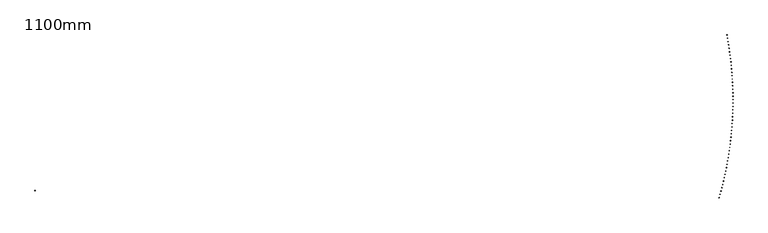
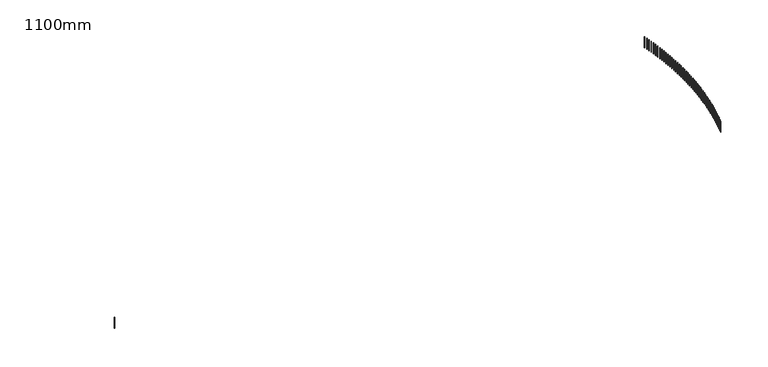
"""IFC4 building model written with IfcOpenShell, lengths in millimetres: railing geometry, 1100mm."""

from ifc_helpers import new_model, si_unit, frame, origin, place, context, project, spatial, polyline, outline, extrude, source, transform, mapped, element, save


def railing_1100mm_cb0fa57b(model_context):
    return source(origin(), model_context, "Body", "SweptSolid", [
        extrude(outline(polyline([(18164.9499455, -61980.7188274), (18188.9790862, -61987.6181313), (18182.0797824, -62011.6472721), (18158.0506416, -62004.7479682), (18164.9499455, -61980.7188274)])), frame((0.0, 0.0, 22600.0), z_axis=(0.0, 0.0, 1.0), x_axis=(1.0, 0.0, 0.0)), (0.0, 0.0, 1.0), 1050.0),
        extrude(outline(polyline([(18239.412749, -61716.1187681), (18263.5075375, -61722.785189), (18256.8411166, -61746.8799775), (18232.7463281, -61740.2135565), (18239.412749, -61716.1187681)])), frame((0.0, 0.0, 22600.0), z_axis=(0.0, 0.0, 1.0), x_axis=(1.0, 0.0, 0.0)), (0.0, 0.0, 1.0), 1050.0),
        extrude(outline(polyline([(18311.3112025, -61450.8104325), (18335.4693817, -61457.2433461), (18329.0364681, -61481.4015253), (18304.8782889, -61474.9686117), (18311.3112025, -61450.8104325)])), frame((0.0, 0.0, 22600.0), z_axis=(0.0, 0.0, 1.0), x_axis=(1.0, 0.0, 0.0)), (0.0, 0.0, 1.0), 1050.0),
        extrude(outline(polyline([(18380.6385712, -61184.8186723), (18404.8578782, -61191.017476), (18398.6590745, -61215.236783), (18374.4397675, -61209.0379793), (18380.6385712, -61184.8186723)])), frame((0.0, 0.0, 22600.0), z_axis=(0.0, 0.0, 1.0), x_axis=(1.0, 0.0, 0.0)), (0.0, 0.0, 1.0), 1050.0),
        extrude(outline(polyline([(18447.388361, -60918.168403), (18471.6665272, -60924.1325162), (18465.7024141, -60948.4106824), (18441.4242479, -60942.4465693), (18447.388361, -60918.168403)])), frame((0.0, 0.0, 22600.0), z_axis=(0.0, 0.0, 1.0), x_axis=(1.0, 0.0, 0.0)), (0.0, 0.0, 1.0), 1050.0),
        extrude(outline(polyline([(18511.5543196, -60650.884602), (18535.8890708, -60656.6134659), (18530.1602069, -60680.9482172), (18505.8254557, -60675.2193533), (18511.5543196, -60650.884602)])), frame((0.0, 0.0, 22600.0), z_axis=(0.0, 0.0, 1.0), x_axis=(1.0, 0.0, 0.0)), (0.0, 0.0, 1.0), 1050.0),
        extrude(outline(polyline([(18573.1304364, -60382.9923058), (18597.5194933, -60388.4853838), (18592.0264152, -60412.8744407), (18567.6373584, -60407.3813626), (18573.1304364, -60382.9923058)])), frame((0.0, 0.0, 22600.0), z_axis=(0.0, 0.0, 1.0), x_axis=(1.0, 0.0, 0.0)), (0.0, 0.0, 1.0), 1050.0),
        extrude(outline(polyline([(18632.1109437, -60114.516608), (18656.5520216, -60119.7733857), (18651.2952439, -60144.2144636), (18626.854166, -60138.9576859), (18632.1109437, -60114.516608)])), frame((0.0, 0.0, 22600.0), z_axis=(0.0, 0.0, 1.0), x_axis=(1.0, 0.0, 0.0)), (0.0, 0.0, 1.0), 1050.0),
        extrude(outline(polyline([(18688.4903166, -59845.4826569), (18712.9811262, -59850.5026418), (18707.9611413, -59874.9934513), (18683.4703318, -59869.9734664), (18688.4903166, -59845.4826569)])), frame((0.0, 0.0, 22600.0), z_axis=(0.0, 0.0, 1.0), x_axis=(1.0, 0.0, 0.0)), (0.0, 0.0, 1.0), 1050.0),
        extrude(outline(polyline([(18742.2632741, -59575.915653), (18766.8015213, -59580.6983749), (18762.0187994, -59605.236622), (18737.4805523, -59600.4539002), (18742.2632741, -59575.915653)])), frame((0.0, 0.0, 22600.0), z_axis=(0.0, 0.0, 1.0), x_axis=(1.0, 0.0, 0.0)), (0.0, 0.0, 1.0), 1050.0),
        extrude(outline(polyline([(18793.4247793, -59305.8408469), (18818.0081655, -59310.3858577), (18813.4631547, -59334.9692439), (18788.8797685, -59330.4242331), (18793.4247793, -59305.8408469)])), frame((0.0, 0.0, 22600.0), z_axis=(0.0, 0.0, 1.0), x_axis=(1.0, 0.0, 0.0)), (0.0, 0.0, 1.0), 1050.0),
        extrude(outline(polyline([(18841.9700398, -59035.2835364), (18866.5962623, -59039.5904105), (18862.2893882, -59064.216633), (18837.6631657, -59059.909759), (18841.9700398, -59035.2835364)])), frame((0.0, 0.0, 22600.0), z_axis=(0.0, 0.0, 1.0), x_axis=(1.0, 0.0, 0.0)), (0.0, 0.0, 1.0), 1050.0),
        extrude(outline(polyline([(18887.8945083, -58764.269065), (18912.5612604, -58768.3373989), (18908.4929265, -58793.004151), (18883.8261744, -58788.9358171), (18887.8945083, -58764.269065)])), frame((0.0, 0.0, 22600.0), z_axis=(0.0, 0.0, 1.0), x_axis=(1.0, 0.0, 0.0)), (0.0, 0.0, 1.0), 1050.0),
        extrude(outline(polyline([(18931.1938832, -58492.8228186), (18955.8988543, -58496.6522313), (18952.0694417, -58521.3572024), (18927.3644706, -58517.5277898), (18931.1938832, -58492.8228186)])), frame((0.0, 0.0, 22600.0), z_axis=(0.0, 0.0, 1.0), x_axis=(1.0, 0.0, 0.0)), (0.0, 0.0, 1.0), 1050.0),
        extrude(outline(polyline([(18971.8641085, -58220.9702238), (18996.6049845, -58224.5603565), (18993.0148518, -58249.3012325), (18968.2739758, -58245.7110998), (18971.8641085, -58220.9702238)])), frame((0.0, 0.0, 22600.0), z_axis=(0.0, 0.0, 1.0), x_axis=(1.0, 0.0, 0.0)), (0.0, 0.0, 1.0), 1050.0),
        extrude(outline(polyline([(19009.9013746, -57948.7367451), (19034.675838, -57952.0872615), (19031.3253216, -57976.861725), (19006.5508581, -57973.5112086), (19009.9013746, -57948.7367451)])), frame((0.0, 0.0, 22600.0), z_axis=(0.0, 0.0, 1.0), x_axis=(1.0, 0.0, 0.0)), (0.0, 0.0, 1.0), 1050.0),
        extrude(outline(polyline([(19045.3021185, -57676.1478828), (19070.1078487, -57679.2584691), (19066.9972624, -57704.0641993), (19042.1915322, -57700.953613), (19045.3021185, -57676.1478828)])), frame((0.0, 0.0, 22600.0), z_axis=(0.0, 0.0, 1.0), x_axis=(1.0, 0.0, 0.0)), (0.0, 0.0, 1.0), 1050.0),
        extrude(outline(polyline([(19078.0630243, -57403.2291703), (19102.8976977, -57406.0995352), (19100.0273329, -57430.9342086), (19075.1926595, -57428.0638438), (19078.0630243, -57403.2291703)])), frame((0.0, 0.0, 22600.0), z_axis=(0.0, 0.0, 1.0), x_axis=(1.0, 0.0, 0.0)), (0.0, 0.0, 1.0), 1050.0),
        extrude(outline(polyline([(19108.1810232, -57130.0061723), (19133.0423136, -57132.6360468), (19130.4124391, -57157.4973372), (19105.5511487, -57154.8674627), (19108.1810232, -57130.0061723)])), frame((0.0, 0.0, 22600.0), z_axis=(0.0, 0.0, 1.0), x_axis=(1.0, 0.0, 0.0)), (0.0, 0.0, 1.0), 1050.0),
        extrude(outline(polyline([(19135.6532941, -56856.5044815), (19160.5388726, -56858.8936193), (19158.1497348, -56883.7791979), (19133.2641562, -56881.39006), (19135.6532941, -56856.5044815)])), frame((0.0, 0.0, 22600.0), z_axis=(0.0, 0.0, 1.0), x_axis=(1.0, 0.0, 0.0)), (0.0, 0.0, 1.0), 1050.0),
        extrude(outline(polyline([(19160.4772635, -56582.749717), (19185.3847992, -56584.8978943), (19183.2366219, -56609.80543), (19158.3290862, -56607.6572527), (19160.4772635, -56582.749717)])), frame((0.0, 0.0, 22600.0), z_axis=(0.0, 0.0, 1.0), x_axis=(1.0, 0.0, 0.0)), (0.0, 0.0, 1.0), 1050.0),
        extrude(outline(polyline([(19182.6506063, -56308.7675216), (19207.577766, -56310.6745372), (19205.6707504, -56335.6016969), (19180.7435907, -56333.6946813), (19182.6506063, -56308.7675216)])), frame((0.0, 0.0, 22600.0), z_axis=(0.0, 0.0, 1.0), x_axis=(1.0, 0.0, 0.0)), (0.0, 0.0, 1.0), 1050.0),
        extrude(outline(polyline([(19202.1712455, -56034.5835593), (19227.1156943, -56036.2492346), (19225.4500189, -56061.1936834), (19200.5055701, -56059.5280081), (19202.1712455, -56034.5835593)])), frame((0.0, 0.0, 22600.0), z_axis=(0.0, 0.0, 1.0), x_axis=(1.0, 0.0, 0.0)), (0.0, 0.0, 1.0), 1050.0),
        extrude(outline(polyline([(19219.0373524, -55760.223513), (19243.9967538, -55761.647692), (19242.5725748, -55786.6070933), (19217.6131735, -55785.1829143), (19219.0373524, -55760.223513)])), frame((0.0, 0.0, 22600.0), z_axis=(0.0, 0.0, 1.0), x_axis=(1.0, 0.0, 0.0)), (0.0, 0.0, 1.0), 1050.0),
        extrude(outline(polyline([(19233.2473474, -55485.7130823), (19258.2193633, -55486.8956315), (19257.036814, -55511.8676474), (19232.0647982, -55510.6850982), (19233.2473474, -55485.7130823)])), frame((0.0, 0.0, 22600.0), z_axis=(0.0, 0.0, 1.0), x_axis=(1.0, 0.0, 0.0)), (0.0, 0.0, 1.0), 1050.0),
        extrude(outline(polyline([(19244.7998993, -55211.0779806), (19269.7821906, -55212.0187893), (19268.8413819, -55237.0010806), (19243.8590906, -55236.0602719), (19244.7998993, -55211.0779806)])), frame((0.0, 0.0, 22600.0), z_axis=(0.0, 0.0, 1.0), x_axis=(1.0, 0.0, 0.0)), (0.0, 0.0, 1.0), 1050.0),
        extrude(outline(polyline([(19253.693926, -54936.3439331), (19278.6841526, -54937.0429132), (19277.9851725, -54962.0331398), (19252.9949459, -54961.3341598), (19253.693926, -54936.3439331)])), frame((0.0, 0.0, 22600.0), z_axis=(0.0, 0.0, 1.0), x_axis=(1.0, 0.0, 0.0)), (0.0, 0.0, 1.0), 1050.0),
        extrude(outline(polyline([(19259.9285943, -54661.5366744), (19284.9244154, -54661.9937604), (19284.4673295, -54686.9895815), (19259.4715084, -54686.5324955), (19259.9285943, -54661.5366744)])), frame((0.0, 0.0, 22600.0), z_axis=(0.0, 0.0, 1.0), x_axis=(1.0, 0.0, 0.0)), (0.0, 0.0, 1.0), 1050.0),
        extrude(outline(polyline([(19263.5033203, -54386.6819458), (19288.5023945, -54386.8970948), (19288.2872455, -54411.896169), (19263.2881713, -54411.68102), (19263.5033203, -54386.6819458)])), frame((0.0, 0.0, 22600.0), z_axis=(0.0, 0.0, 1.0), x_axis=(1.0, 0.0, 0.0)), (0.0, 0.0, 1.0), 1050.0),
        extrude(outline(polyline([(19264.4177692, -54111.8054929), (19289.4177548, -54111.7786848), (19289.4445629, -54136.7786705), (19264.4445773, -54136.8054785), (19264.4177692, -54111.8054929)])), frame((0.0, 0.0, 22600.0), z_axis=(0.0, 0.0, 1.0), x_axis=(1.0, 0.0, 0.0)), (0.0, 0.0, 1.0), 1050.0),
        extrude(outline(polyline([(19262.6718552, -53836.9330637), (19287.6704105, -53836.6643011), (19287.9391732, -53861.6628564), (19262.9406179, -53861.931619), (19262.6718552, -53836.9330637)])), frame((0.0, 0.0, 22600.0), z_axis=(0.0, 0.0, 1.0), x_axis=(1.0, 0.0, 0.0)), (0.0, 0.0, 1.0), 1050.0),
        extrude(outline(polyline([(19258.265742, -53562.0904057), (19283.2605253, -53561.5797136), (19283.7712174, -53586.5744969), (19258.776434, -53587.085189), (19258.265742, -53562.0904057)])), frame((0.0, 0.0, 22600.0), z_axis=(0.0, 0.0, 1.0), x_axis=(1.0, 0.0, 0.0)), (0.0, 0.0, 1.0), 1050.0),
        extrude(outline(polyline([(19251.1998422, -53287.3032633), (19276.1885122, -53286.5506897), (19276.9410859, -53311.5393598), (19251.9524158, -53312.2919334), (19251.1998422, -53287.3032633)])), frame((0.0, 0.0, 22600.0), z_axis=(0.0, 0.0, 1.0), x_axis=(1.0, 0.0, 0.0)), (0.0, 0.0, 1.0), 1050.0),
        extrude(outline(polyline([(19241.4748176, -53012.5973762), (19266.4550338, -53011.6029914), (19267.4494185, -53036.5832076), (19242.4692024, -53037.5775923), (19241.4748176, -53012.5973762)])), frame((0.0, 0.0, 22600.0), z_axis=(0.0, 0.0, 1.0), x_axis=(1.0, 0.0, 0.0)), (0.0, 0.0, 1.0), 1050.0),
        extrude(outline(polyline([(19229.0915794, -52737.998476), (19254.0610017, -52736.7623734), (19255.2971043, -52761.7317957), (19230.327682, -52762.9678983), (19229.0915794, -52737.998476)])), frame((0.0, 0.0, 22600.0), z_axis=(0.0, 0.0, 1.0), x_axis=(1.0, 0.0, 0.0)), (0.0, 0.0, 1.0), 1050.0),
        extrude(outline(polyline([(19214.0512873, -52463.5322848), (19239.0075769, -52462.05458), (19240.4852817, -52487.0108695), (19215.5289921, -52488.4885743), (19214.0512873, -52463.5322848)])), frame((0.0, 0.0, 22600.0), z_axis=(0.0, 0.0, 1.0), x_axis=(1.0, 0.0, 0.0)), (0.0, 0.0, 1.0), 1050.0),
        extrude(outline(polyline([(19196.3553503, -52189.2245117), (19221.2961694, -52187.5053432), (19223.0153379, -52212.4461624), (19198.0745188, -52214.1653309), (19196.3553503, -52189.2245117)])), frame((0.0, 0.0, 22600.0), z_axis=(0.0, 0.0, 1.0), x_axis=(1.0, 0.0, 0.0)), (0.0, 0.0, 1.0), 1050.0),
        extrude(outline(polyline([(19176.0054258, -51915.1008515), (19200.9284384, -51913.1403803), (19202.8889096, -51938.0633928), (19177.965897, -51940.023864), (19176.0054258, -51915.1008515)])), frame((0.0, 0.0, 22600.0), z_axis=(0.0, 0.0, 1.0), x_axis=(1.0, 0.0, 0.0)), (0.0, 0.0, 1.0), 1050.0),
        extrude(outline(polyline([(19153.0034202, -51641.1869813), (19177.9062916, -51638.985391), (19180.1078818, -51663.8882624), (19155.2050105, -51666.0898526), (19153.0034202, -51641.1869813)])), frame((0.0, 0.0, 22600.0), z_axis=(0.0, 0.0, 1.0), x_axis=(1.0, 0.0, 0.0)), (0.0, 0.0, 1.0), 1050.0),
        extrude(outline(polyline([(19127.351488, -51367.5085588), (19152.2318855, -51365.0660558), (19154.6743886, -51389.9464532), (19129.7939911, -51392.3889563), (19127.351488, -51367.5085588)])), frame((0.0, 0.0, 22600.0), z_axis=(0.0, 0.0, 1.0), x_axis=(1.0, 0.0, 0.0)), (0.0, 0.0, 1.0), 1050.0),
        extrude(outline(polyline([(19099.052032, -51094.0912197), (19123.9076251, -51091.4080326), (19126.5908122, -51116.2636257), (19101.7352192, -51118.9468128), (19099.052032, -51094.0912197)])), frame((0.0, 0.0, 22600.0), z_axis=(0.0, 0.0, 1.0), x_axis=(1.0, 0.0, 0.0)), (0.0, 0.0, 1.0), 1050.0),
        extrude(outline(polyline([(19068.1077031, -50820.9605751), (19092.9361636, -50818.0369553), (19095.8597834, -50842.8654157), (19071.031323, -50845.7890355), (19068.1077031, -50820.9605751)])), frame((0.0, 0.0, 22600.0), z_axis=(0.0, 0.0, 1.0), x_axis=(1.0, 0.0, 0.0)), (0.0, 0.0, 1.0), 1050.0),
        extrude(outline(polyline([(19034.5213999, -50548.1422092), (19059.320402, -50544.9784305), (19062.4841806, -50569.7774326), (19037.6851785, -50572.9412113), (19034.5213999, -50548.1422092)])), frame((0.0, 0.0, 22600.0), z_axis=(0.0, 0.0, 1.0), x_axis=(1.0, 0.0, 0.0)), (0.0, 0.0, 1.0), 1050.0),
        extrude(outline(polyline([(18998.2962683, -50275.6616771), (19023.0634891, -50272.2580359), (19026.4671303, -50297.0252567), (19001.6999094, -50300.4288979), (18998.2962683, -50275.6616771)])), frame((0.0, 0.0, 22600.0), z_axis=(0.0, 0.0, 1.0), x_axis=(1.0, 0.0, 0.0)), (0.0, 0.0, 1.0), 1050.0),
        extrude(outline(polyline([(18959.4357016, -50003.5445021), (18984.1688212, -49999.9013173), (18987.812006, -50024.6344369), (18963.0788864, -50028.2776217), (18959.4357016, -50003.5445021)])), frame((0.0, 0.0, 22600.0), z_axis=(0.0, 0.0, 1.0), x_axis=(1.0, 0.0, 0.0)), (0.0, 0.0, 1.0), 1050.0),
        extrude(outline(polyline([(18917.9433399, -49731.8161737), (18942.6400415, -49727.9337865), (18946.5224288, -49752.6304881), (18921.8257272, -49756.5128753), (18917.9433399, -49731.8161737)])), frame((0.0, 0.0, 22600.0), z_axis=(0.0, 0.0, 1.0), x_axis=(1.0, 0.0, 0.0)), (0.0, 0.0, 1.0), 1050.0),
        extrude(outline(polyline([(18873.8230699, -49460.5021448), (18898.4810401, -49456.3809188), (18902.6022661, -49481.038889), (18877.9442958, -49485.160115), (18873.8230699, -49460.5021448)])), frame((0.0, 0.0, 22600.0), z_axis=(0.0, 0.0, 1.0), x_axis=(1.0, 0.0, 0.0)), (0.0, 0.0, 1.0), 1050.0),
        extrude(outline(polyline([(18827.0790242, -49189.6278294), (18851.6959533, -49185.2681507), (18856.055632, -49209.8850799), (18831.4387029, -49214.2447586), (18827.0790242, -49189.6278294)])), frame((0.0, 0.0, 22600.0), z_axis=(0.0, 0.0, 1.0), x_axis=(1.0, 0.0, 0.0)), (0.0, 0.0, 1.0), 1050.0),
        extrude(outline(polyline([(-36591.1817593, -61427.7006449), (-36615.3509807, -61434.0919464), (-36621.7422823, -61409.922725), (-36597.5730609, -61403.5314235), (-36591.1817593, -61427.7006449)])), frame((0.0, 0.0, 22600.0), z_axis=(0.0, 0.0, 1.0), x_axis=(1.0, 0.0, 0.0)), (0.0, 0.0, 1.0), 1050.0),
        extrude(outline(polyline([(18780.0161355, -48931.4994813), (18804.591738, -48926.9125693), (18809.1786501, -48951.4881718), (18784.6030476, -48956.0750838), (18780.0161355, -48931.4994813)])), frame((0.0, 0.0, 22600.0), z_axis=(0.0, 0.0, 1.0), x_axis=(1.0, 0.0, 0.0)), (0.0, 0.0, 1.0), 1050.0),
    ])


if __name__ == "__main__":
    model = new_model("IFC4")
    model_context = context("Model", 3, world=origin())
    ifc_project = project(units=[si_unit("LENGTHUNIT", "METRE", prefix="MILLI")], contexts=[model_context])
    site = spatial("IfcSite", under=ifc_project)
    building = spatial("IfcBuilding", under=site)
    placement = place(None, origin())
    railing_1100mm_shape = railing_1100mm_cb0fa57b(model_context)
    element("IfcRailing", 1, ObjectType="1100mm", at=placement, inside=building, context=model_context, shape_type="MappedRepresentation", body=[
        mapped(railing_1100mm_shape, transform((0.0, 0.0, 0.0), x_axis=(1.0, 0.0, 0.0), y_axis=(0.0, 1.0, 0.0), z_axis=(0.0, 0.0, 1.0))),
    ])
    save(model, "model.ifc")
